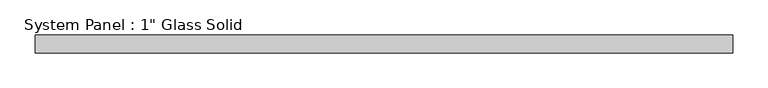
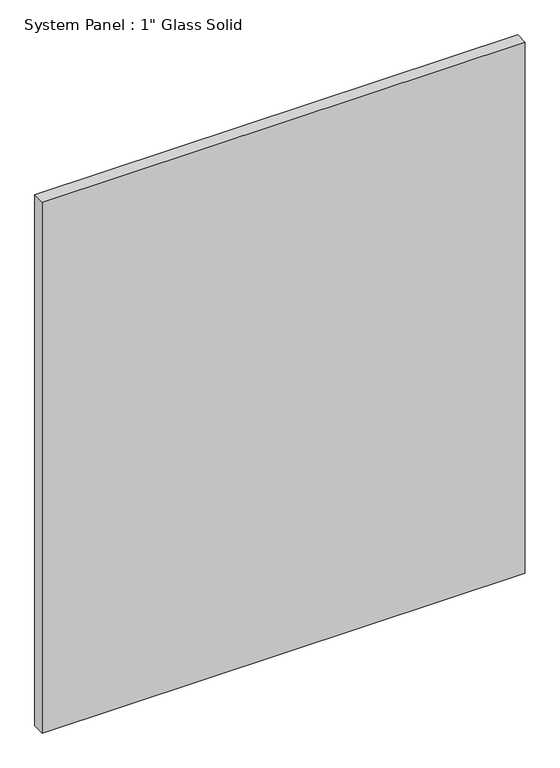
"""IFC4 building model written with IfcOpenShell, lengths in millimetres: plate geometry."""

from ifc_helpers import new_model, si_unit, origin, origin_with_axes, place, context, project, spatial, polyline, outline, extrude, source, transform, mapped, element, save


def plate_6ec00078(model_context):
    return source(origin(), model_context, "Body", "SweptSolid", [
        extrude(outline(polyline([(495.3, -12.7), (-495.3, -12.7), (-495.3, 12.7), (495.3, 12.7), (495.3, -12.7)])), origin_with_axes(), (0.0, 0.0, 1.0), 1150.5094027),
    ])


if __name__ == "__main__":
    model = new_model("IFC4")
    model_context = context("Model", 3, world=origin())
    ifc_project = project(units=[si_unit("LENGTHUNIT", "METRE", prefix="MILLI")], contexts=[model_context])
    site = spatial("IfcSite", under=ifc_project)
    building = spatial("IfcBuilding", under=site)
    placement = place(None, origin())
    plate_shape = plate_6ec00078(model_context)
    element("IfcPlate", 1, ObjectType="System Panel : 1\" Glass Solid", at=placement, inside=building, context=model_context, shape_type="MappedRepresentation", body=[
        mapped(plate_shape, transform((0.0, 0.0, 0.0), x_axis=(1.0, 0.0, 0.0), y_axis=(0.0, 1.0, 0.0), z_axis=(0.0, 0.0, 1.0))),
    ])
    save(model, "model.ifc")
